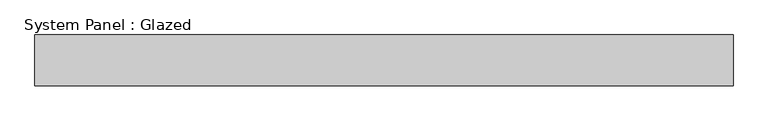
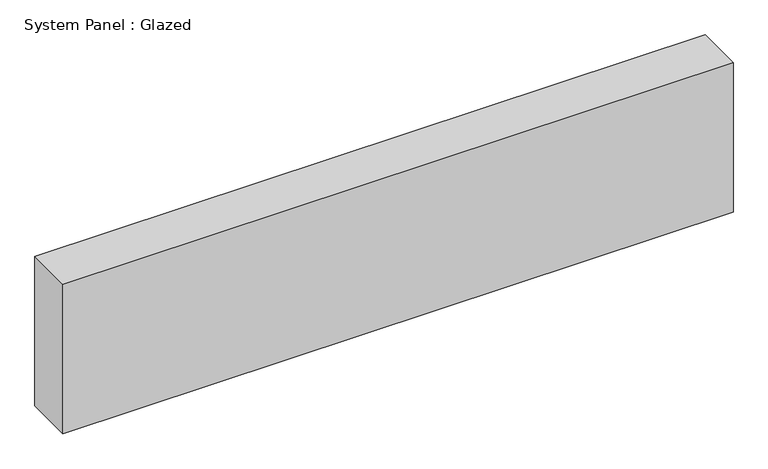
"""IFC4 building model written with IfcOpenShell, lengths in millimetres: plate geometry, System Panel : Glazed."""

from ifc_helpers import new_model, si_unit, origin, origin_with_axes, place, context, project, spatial, polyline, outline, extrude, source, transform, mapped, element, save


def system_panel_glazed_c19c3ead(model_context):
    return source(origin(), model_context, "Body", "SweptSolid", [
        extrude(outline(polyline([(689.1666667, 50.0), (-689.1666667, 50.0), (-689.1666667, 150.0), (689.1666667, 150.0), (689.1666667, 50.0)])), origin_with_axes(), (0.0, 0.0, 1.0), 325.0),
    ])


if __name__ == "__main__":
    model = new_model("IFC4")
    model_context = context("Model", 3, world=origin())
    ifc_project = project(units=[si_unit("LENGTHUNIT", "METRE", prefix="MILLI")], contexts=[model_context])
    site = spatial("IfcSite", under=ifc_project)
    building = spatial("IfcBuilding", under=site)
    placement = place(None, origin())
    system_panel_glazed_shape = system_panel_glazed_c19c3ead(model_context)
    element("IfcPlate", 1, ObjectType="System Panel : Glazed", at=placement, inside=building, context=model_context, shape_type="MappedRepresentation", body=[
        mapped(system_panel_glazed_shape, transform((0.0, 0.0, 0.0), x_axis=(1.0, 0.0, 0.0), y_axis=(0.0, 1.0, 0.0), z_axis=(0.0, 0.0, 1.0))),
    ])
    save(model, "model.ifc")
